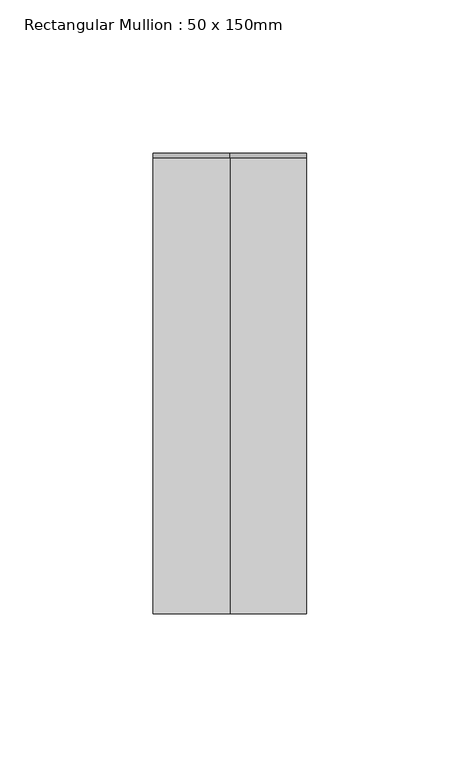
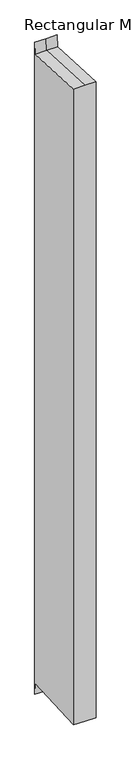
"""IFC4 building model written with IfcOpenShell, lengths in millimetres: member geometry, Rectangular Mullion : 50 x 150mm."""

import ifcopenshell
import ifcopenshell.guid

model = None  # the IFC model being written
_history = None  # IfcOwnerHistory: only IFC2X3 demands one
_inside = {}  # id of a spatial element -> (the spatial element, [elements in it])
_under = {}  # id of a project, library or spatial element -> (it, [spatial elements below it])
_declared = {}  # id of a project -> (the project, [libraries it declares])
_typed = {}  # id of a type object -> (the type object, [elements of that type])
_made_of = {}  # id of a material, layer set ... -> (it, [elements and type objects made of it])


def new_model(schema):
    """Start an empty IFC model of exactly this schema.

    Asked for "IFC4X3", IfcOpenShell would pick the latest addendum, in which some entities
    have other attributes; the version numbers below select the first issue.
    IFC2X3 requires an IfcOwnerHistory on every rooted entity: one is made here for all.
    """
    global model, _history
    if schema == "IFC4X3":
        model = ifcopenshell.file(schema_version=(4, 3, 0, 0))
    else:
        model = ifcopenshell.file(schema=schema)
    _inside.clear()
    _under.clear()
    _declared.clear()
    _typed.clear()
    _made_of.clear()
    _history = None
    if model.schema == "IFC2X3":
        org = make("IfcOrganization", Name="unknown")
        user = make(
            "IfcPersonAndOrganization",
            ThePerson=make("IfcPerson", FamilyName="unknown"),
            TheOrganization=org,
        )
        app = make(
            "IfcApplication",
            ApplicationDeveloper=org,
            Version="unknown",
            ApplicationFullName="unknown",
            ApplicationIdentifier="unknown",
        )
        _history = make(
            "IfcOwnerHistory",
            OwningUser=user,
            OwningApplication=app,
            ChangeAction="ADDED",
            CreationDate=0,
        )
    return model


def make(cls, **values):
    """One entity of the class cls with the attributes given. An attribute that is None is left unset."""
    return model.create_entity(
        cls, **{name: value for name, value in values.items() if value is not None}
    )


def rooted(cls, **values):
    """An entity with a GlobalId (a new one), such as an element, a storey or a relation."""
    return make(cls, GlobalId=ifcopenshell.guid.new(), OwnerHistory=_history, **values)


def si_unit(unit_type, name, prefix=None):
    """IfcSIUnit, for example si_unit("LENGTHUNIT", "METRE", prefix="MILLI")."""
    return make("IfcSIUnit", UnitType=unit_type, Prefix=prefix, Name=name)


def assignment(units):
    """IfcUnitAssignment: the units of a project."""
    return None if units is None else make("IfcUnitAssignment", Units=units)


def point(xyz):
    """IfcCartesianPoint."""
    return None if xyz is None else make("IfcCartesianPoint", Coordinates=xyz)


def direction(xyz):
    """IfcDirection."""
    return None if xyz is None else make("IfcDirection", DirectionRatios=xyz)


def frame(location, z_axis=None, x_axis=None):
    """IfcAxis2Placement3D, a coordinate frame: its origin and axes. An axis left out is left unset."""
    return make(
        "IfcAxis2Placement3D",
        Location=point(location),
        Axis=direction(z_axis),
        RefDirection=direction(x_axis),
    )


def origin():
    """The frame at (0, 0, 0) with its axes left unset."""
    return frame((0.0, 0.0, 0.0))


def place(relative_to, where):
    """IfcLocalPlacement: puts the frame where relative to a parent placement (None: the world)."""
    return make(
        "IfcLocalPlacement", PlacementRelTo=relative_to, RelativePlacement=where
    )


def context(
    kind, dimensions, precision=None, world=None, true_north=None, identifier=None
):
    """IfcGeometricRepresentationContext, for example the 3D "Model" context."""
    return make(
        "IfcGeometricRepresentationContext",
        ContextIdentifier=identifier,
        ContextType=kind,
        CoordinateSpaceDimension=dimensions,
        Precision=precision,
        WorldCoordinateSystem=world,
        TrueNorth=true_north,
    )


def project(units=None, contexts=None):
    """IfcProject with its units and contexts."""
    return rooted(
        "IfcProject",
        Name="project",
        RepresentationContexts=contexts,
        UnitsInContext=assignment(units),
    )


def spatial(cls, under=None, at=None, **own):
    """A site, building, storey or space (cls), placed at a placement, below another one or the project."""
    s = rooted(cls, ObjectPlacement=at, **own)
    if under is not None:
        _under.setdefault(under.id(), (under, []))[1].append(s)
    return s


def faces_of(points, faces, orient=None, outer=None):
    """IfcFace entities. A face is a list of loops; a loop is a list of indices into points, from 0.

    orient and outer hold one flag for each loop. By default every Orientation is true, the
    first loop of a face is its IfcFaceOuterBound and the others are IfcFaceBound.
    """
    made = []
    for i, loops in enumerate(faces):
        bounds = []
        for j, loop in enumerate(loops):
            is_outer = j == 0 if outer is None else outer[i][j]
            bounds.append(
                make(
                    "IfcFaceOuterBound" if is_outer else "IfcFaceBound",
                    Bound=make("IfcPolyLoop", Polygon=[points[k] for k in loop]),
                    Orientation=True if orient is None else orient[i][j],
                )
            )
        made.append(make("IfcFace", Bounds=bounds))
    return made


def faceted_brep(points, faces, orient=None, outer=None, voids=None):
    """IfcFacetedBrep: a solid bounded by flat faces; with voids (closed shells), ...WithVoids."""
    shared = [point(p) for p in points]
    hull = make("IfcClosedShell", CfsFaces=faces_of(shared, faces, orient, outer))
    if voids is None:
        return make("IfcFacetedBrep", Outer=hull)
    return make(
        "IfcFacetedBrepWithVoids",
        Outer=hull,
        Voids=[
            make(cls, CfsFaces=faces_of(shared, fs, o, b)) for cls, fs, o, b in voids
        ],
    )


def shape(context_of_items, identifier, shape_type, items):
    """IfcShapeRepresentation: the items that make up one representation, for example the "Body"."""
    return make(
        "IfcShapeRepresentation",
        ContextOfItems=context_of_items,
        RepresentationIdentifier=identifier,
        RepresentationType=shape_type,
        Items=items,
    )


def source(mapping_origin, context_of_items, identifier, shape_type, items):
    """IfcRepresentationMap: a shape defined once, which mapped items show again and again."""
    return make(
        "IfcRepresentationMap",
        MappingOrigin=mapping_origin,
        MappedRepresentation=shape(context_of_items, identifier, shape_type, items),
    )


def transform(
    local_origin,
    x_axis=None,
    y_axis=None,
    z_axis=None,
    scale=None,
    scale2=None,
    scale3=None,
    uniform=True,
):
    """IfcCartesianTransformationOperator3D, or its non-uniform kind. x_axis, y_axis, z_axis: its Axis1, 2, 3."""
    if uniform:
        return make(
            "IfcCartesianTransformationOperator3D",
            Axis1=direction(x_axis),
            Axis2=direction(y_axis),
            LocalOrigin=point(local_origin),
            Scale=scale,
            Axis3=direction(z_axis),
        )
    return make(
        "IfcCartesianTransformationOperator3DnonUniform",
        Axis1=direction(x_axis),
        Axis2=direction(y_axis),
        LocalOrigin=point(local_origin),
        Scale=scale,
        Axis3=direction(z_axis),
        Scale2=scale2,
        Scale3=scale3,
    )


def mapped(mapping_source, mapping_target):
    """IfcMappedItem: shows the shape of a source again, moved by a transform."""
    return make(
        "IfcMappedItem", MappingSource=mapping_source, MappingTarget=mapping_target
    )


def made_of(thing, what):
    """Note that an element or type object is made of a material, layer set ...; save() writes the relation."""
    if what is not None:
        _made_of.setdefault(what.id(), (what, []))[1].append(thing)
    return thing


def element(
    cls,
    number,
    at=None,
    inside=None,
    cuts=None,
    type_object=None,
    material=None,
    context=None,
    identifier="Body",
    shape_type=None,
    held_by="IfcProductDefinitionShape",
    body=None,
    shapes=None,
    **own,
):
    """One element of the class cls, such as IfcWall. Its Tag is "e" and its number.

    at: its placement. inside: the storey or other place that contains it. cuts: it is an
    opening in that element (IfcRelVoidsElement). A single representation is given by context,
    identifier, shape_type and body (its items); several are given by shapes. held_by: the class
    of the entity that holds the representations. save() writes the other relations.
    """
    e = rooted(cls, Tag="e%d" % number, ObjectPlacement=at, **own)
    if body is not None:
        shapes = [shape(context, identifier, shape_type, body)]
    if shapes is not None:
        e.Representation = make(held_by, Representations=shapes)
    if inside is not None:
        _inside.setdefault(inside.id(), (inside, []))[1].append(e)
    if cuts is not None:
        rooted(
            "IfcRelVoidsElement", RelatingBuildingElement=cuts, RelatedOpeningElement=e
        )
    if type_object is not None:
        _typed.setdefault(type_object.id(), (type_object, []))[1].append(e)
    return made_of(e, material)


def aggregate(whole, parts):
    """IfcRelAggregates: a whole, such as a stair, and the parts it consists of."""
    return rooted("IfcRelAggregates", RelatingObject=whole, RelatedObjects=parts)


def save(model, path):
    """Write the relations noted so far, then the file.

    IfcRelAggregates (storeys below a building ...), IfcRelContainedInSpatialStructure (elements
    in a storey), IfcRelDefinesByType, IfcRelAssociatesMaterial and IfcRelDeclares: one each for
    every whole, place, type object, material and project.
    """
    for whole, parts in _under.values():
        aggregate(whole, parts)
    for where, things in _inside.values():
        rooted(
            "IfcRelContainedInSpatialStructure",
            RelatedElements=things,
            RelatingStructure=where,
        )
    for kind, things in _typed.values():
        rooted("IfcRelDefinesByType", RelatedObjects=things, RelatingType=kind)
    for what, things in _made_of.values():
        rooted("IfcRelAssociatesMaterial", RelatedObjects=things, RelatingMaterial=what)
    for by, libraries in _declared.values():
        rooted("IfcRelDeclares", RelatingContext=by, RelatedDefinitions=libraries)
    model.write(path)


def rectangular_mullion_50_x_150mm_a957cb99(model_context):
    return source(origin(), model_context, "Body", "Brep", [
        faceted_brep([(-25.0, 75.0, 23.022883), (0.0, 75.0, 23.022883), (25.0, 75.0, 23.022883), (25.0, 75.0, -1511.5231022), (0.0, 75.0, -1511.5231022), (-25.0, 75.0, -1511.5231022), (-25.0, -75.0, 3.9222131), (-25.0, 73.5786699, -3.9167656), (-25.0, 73.5786699, -1484.5834537), (-25.0, -75.0, -1492.4224324), (25.0, -75.0, 3.9222131), (0.0, -75.0, 3.9222131), (0.0, -75.0, -1492.4224324), (25.0, -75.0, -1492.4224324), (25.0, 73.5786699, -3.9167656), (25.0, 73.5786699, -1484.5834537), (0.0, 73.5786699, -3.9167656), (0.0, 73.5786699, -1484.5834537)], [[[0, 1, 2, 3, 4, 5]], [[6, 7, 0, 5, 8, 9]], [[10, 11, 6, 9, 12, 13]], [[2, 14, 10, 13, 15, 3]], [[2, 1, 16, 14]], [[1, 0, 7, 16]], [[7, 6, 11, 16]], [[11, 10, 14, 16]], [[3, 15, 17, 4]], [[15, 13, 12, 17]], [[12, 9, 8, 17]], [[8, 5, 4, 17]]]),
    ])


if __name__ == "__main__":
    model = new_model("IFC4")
    model_context = context("Model", 3, world=origin())
    ifc_project = project(units=[si_unit("LENGTHUNIT", "METRE", prefix="MILLI")], contexts=[model_context])
    site = spatial("IfcSite", under=ifc_project)
    building = spatial("IfcBuilding", under=site)
    placement = place(None, origin())
    rectangular_mullion_50_x_150mm_shape = rectangular_mullion_50_x_150mm_a957cb99(model_context)
    element("IfcMember", 1, ObjectType="Rectangular Mullion : 50 x 150mm", at=placement, inside=building, context=model_context, shape_type="MappedRepresentation", body=[
        mapped(rectangular_mullion_50_x_150mm_shape, transform((0.0, 0.0, 0.0), x_axis=(1.0, 0.0, 0.0), y_axis=(0.0, 1.0, 0.0), z_axis=(0.0, 0.0, 1.0))),
    ])
    save(model, "model.ifc")
